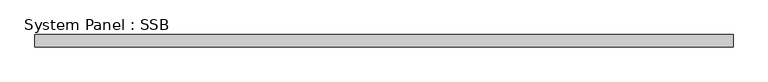
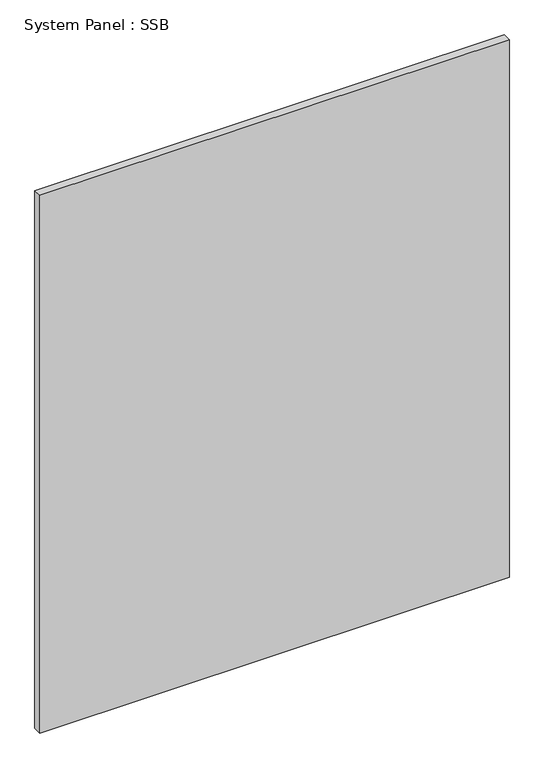
"""IFC4 building model written with IfcOpenShell, lengths in millimetres: plate geometry, System Panel : SSB."""

from ifc_helpers import new_model, si_unit, origin, origin_with_axes, place, context, project, spatial, polyline, outline, extrude, source, transform, mapped, element, save


def system_panel_ssb_e789abb9(model_context):
    return source(origin(), model_context, "Body", "SweptSolid", [
        extrude(outline(polyline([(721.51875, 18.25625), (-721.51875, 18.25625), (-721.51875, 43.65625), (721.51875, 43.65625), (721.51875, 18.25625)])), origin_with_axes(), (0.0, 0.0, 1.0), 1746.25),
    ])


if __name__ == "__main__":
    model = new_model("IFC4")
    model_context = context("Model", 3, world=origin())
    ifc_project = project(units=[si_unit("LENGTHUNIT", "METRE", prefix="MILLI")], contexts=[model_context])
    site = spatial("IfcSite", under=ifc_project)
    building = spatial("IfcBuilding", under=site)
    placement = place(None, origin())
    system_panel_ssb_shape = system_panel_ssb_e789abb9(model_context)
    element("IfcPlate", 1, ObjectType="System Panel : SSB", at=placement, inside=building, context=model_context, shape_type="MappedRepresentation", body=[
        mapped(system_panel_ssb_shape, transform((0.0, 0.0, 0.0), x_axis=(1.0, 0.0, 0.0), y_axis=(0.0, 1.0, 0.0), z_axis=(0.0, 0.0, 1.0))),
    ])
    save(model, "model.ifc")
